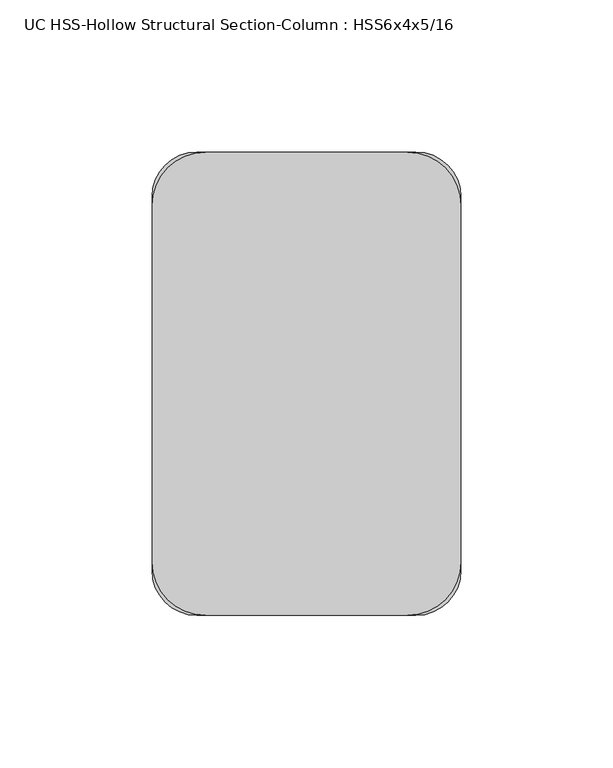
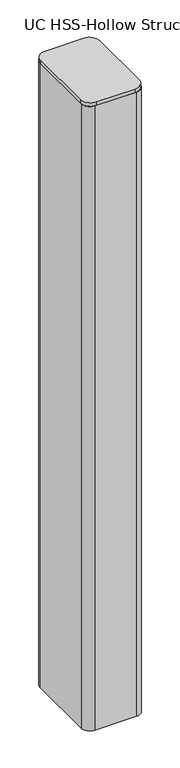
"""IFC4 building model written with IfcOpenShell, lengths in millimetres: column geometry, UC HSS-Hollow Structural Section-Column : HSS6x4x5/16."""

from ifc_helpers import new_model, si_unit, point, frame, frame_2d, origin, origin_with_axes, place, context, project, spatial, polyline, circle_curve, trimmed, segment, composite_curve, outline, extrude, source, transform, mapped, element, save


def uc_hss_hollow_structural_section_column_hss6x4x5_16_7d624760(model_context):
    return source(origin(), model_context, "Body", "SweptSolid", [
        extrude(outline(composite_curve([segment(trimmed(circle_curve(frame_2d((-33.1390625, 58.5390625)), 17.6609375), [point((-50.8, 58.5390625))], [point((-33.1390625, 76.2))], False, "CARTESIAN"), True, "CONTINUOUS"), segment(polyline([(-33.1390625, 76.2), (33.1390625, 76.2)]), True, "CONTINUOUS"), segment(trimmed(circle_curve(frame_2d((33.1390625, 58.5390625)), 17.6609375), [point((33.1390625, 76.2))], [point((50.8, 58.5390625))], False, "CARTESIAN"), True, "CONTINUOUS"), segment(polyline([(50.8, 58.5390625), (50.8, -58.5390625)]), True, "CONTINUOUS"), segment(trimmed(circle_curve(frame_2d((33.1390625, -58.5390625)), 17.6609375), [point((50.8, -58.5390625))], [point((33.1390625, -76.2))], False, "CARTESIAN"), True, "CONTINUOUS"), segment(polyline([(33.1390625, -76.2), (-33.1390625, -76.2)]), True, "CONTINUOUS"), segment(trimmed(circle_curve(frame_2d((-33.1390625, -58.5390625)), 17.6609375), [point((-33.1390625, -76.2))], [point((-50.8, -58.5390625))], False, "CARTESIAN"), True, "CONTINUOUS"), segment(polyline([(-50.8, -58.5390625), (-50.8, 58.5390625)]), True, "CONTINUOUS")], self_intersect=False)), frame((0.0, 0.0, 1136.65), z_axis=(0.0, 0.0, 1.0), x_axis=(1.0, 0.0, 0.0)), (0.0, 0.0, 1.0), 6.35),
        extrude(outline(composite_curve([segment(trimmed(circle_curve(frame_2d((36.0172, 61.4172)), 14.7828), [point((36.0172, 76.2))], [point((50.8, 61.4172))], False, "CARTESIAN"), True, "CONTINUOUS"), segment(polyline([(50.8, 61.4172), (50.8, -61.4172)]), True, "CONTINUOUS"), segment(trimmed(circle_curve(frame_2d((36.0172, -61.4172)), 14.7828), [point((50.8, -61.4172))], [point((36.0172, -76.2))], False, "CARTESIAN"), True, "CONTINUOUS"), segment(polyline([(36.0172, -76.2), (-36.0172, -76.2)]), True, "CONTINUOUS"), segment(trimmed(circle_curve(frame_2d((-36.0172, -61.4172)), 14.7828), [point((-36.0172, -76.2))], [point((-50.8, -61.4172))], False, "CARTESIAN"), True, "CONTINUOUS"), segment(polyline([(-50.8, -61.4172), (-50.8, 61.4172)]), True, "CONTINUOUS"), segment(trimmed(circle_curve(frame_2d((-36.0172, 61.4172)), 14.7828), [point((-50.8, 61.4172))], [point((-36.0172, 76.2))], False, "CARTESIAN"), True, "CONTINUOUS"), segment(polyline([(-36.0172, 76.2), (36.0172, 76.2)]), True, "CONTINUOUS")], self_intersect=False), holes=[composite_curve([segment(polyline([(36.0172, 68.8086), (-36.0172, 68.8086)]), True, "CONTINUOUS"), segment(trimmed(circle_curve(frame_2d((-36.0172, 61.4172)), 7.3914), [point((-36.0172, 68.8086))], [point((-43.4086, 61.4172))], True, "CARTESIAN"), True, "CONTINUOUS"), segment(polyline([(-43.4086, 61.4172), (-43.4086, -61.4172)]), True, "CONTINUOUS"), segment(trimmed(circle_curve(frame_2d((-36.0172, -61.4172)), 7.3914), [point((-43.4086, -61.4172))], [point((-36.0172, -68.8086))], True, "CARTESIAN"), True, "CONTINUOUS"), segment(polyline([(-36.0172, -68.8086), (36.0172, -68.8086)]), True, "CONTINUOUS"), segment(trimmed(circle_curve(frame_2d((36.0172, -61.4172)), 7.3914), [point((36.0172, -68.8086))], [point((43.4086, -61.4172))], True, "CARTESIAN"), True, "CONTINUOUS"), segment(polyline([(43.4086, -61.4172), (43.4086, 61.4172)]), True, "CONTINUOUS"), segment(trimmed(circle_curve(frame_2d((36.0172, 61.4172)), 7.3914), [point((43.4086, 61.4172))], [point((36.0172, 68.8086))], True, "CARTESIAN"), True, "CONTINUOUS")], self_intersect=False)]), origin_with_axes(), (0.0, 0.0, 1.0), 1136.65),
    ])


if __name__ == "__main__":
    model = new_model("IFC4")
    model_context = context("Model", 3, world=origin())
    ifc_project = project(units=[si_unit("LENGTHUNIT", "METRE", prefix="MILLI")], contexts=[model_context])
    site = spatial("IfcSite", under=ifc_project)
    building = spatial("IfcBuilding", under=site)
    placement = place(None, origin())
    uc_hss_hollow_structural_section_column_hss6x4x5_16_shape = uc_hss_hollow_structural_section_column_hss6x4x5_16_7d624760(model_context)
    element("IfcColumn", 1, ObjectType="UC HSS-Hollow Structural Section-Column : HSS6x4x5/16", at=placement, inside=building, context=model_context, shape_type="MappedRepresentation", body=[
        mapped(uc_hss_hollow_structural_section_column_hss6x4x5_16_shape, transform((0.0, 0.0, 0.0), x_axis=(1.0, 0.0, 0.0), y_axis=(0.0, 1.0, 0.0), z_axis=(0.0, 0.0, 1.0))),
    ])
    save(model, "model.ifc")
